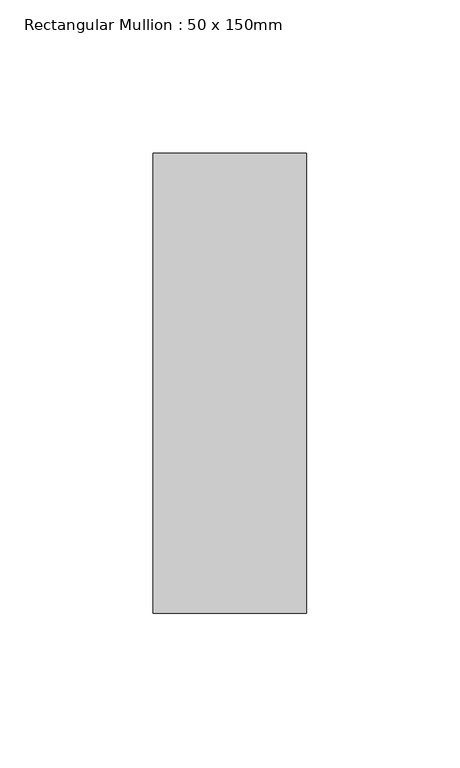
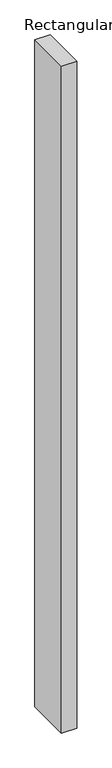
"""IFC4 building model written with IfcOpenShell, lengths in millimetres: member geometry, Rectangular Mullion : 50 x 150mm."""

from ifc_helpers import new_model, si_unit, frame, origin, place, context, project, spatial, polyline, outline, extrude, source, transform, mapped, element, save


def rectangular_mullion_50_x_150mm_55c3b8cf(model_context):
    return source(origin(), model_context, "Body", "SweptSolid", [
        extrude(outline(polyline([(0.0, 75.0), (0.0, -75.0), (-50.0, -75.0), (-50.0, 75.0), (0.0, 75.0)])), frame((0.0, 0.0, -2307.4666667), z_axis=(0.0, 0.0, 1.0), x_axis=(1.0, 0.0, 0.0)), (0.0, 0.0, 1.0), 2307.4666667),
    ])


if __name__ == "__main__":
    model = new_model("IFC4")
    model_context = context("Model", 3, world=origin())
    ifc_project = project(units=[si_unit("LENGTHUNIT", "METRE", prefix="MILLI")], contexts=[model_context])
    site = spatial("IfcSite", under=ifc_project)
    building = spatial("IfcBuilding", under=site)
    placement = place(None, origin())
    rectangular_mullion_50_x_150mm_shape = rectangular_mullion_50_x_150mm_55c3b8cf(model_context)
    element("IfcMember", 1, ObjectType="Rectangular Mullion : 50 x 150mm", at=placement, inside=building, context=model_context, shape_type="MappedRepresentation", body=[
        mapped(rectangular_mullion_50_x_150mm_shape, transform((0.0, 0.0, 0.0), x_axis=(1.0, 0.0, 0.0), y_axis=(0.0, 1.0, 0.0), z_axis=(0.0, 0.0, 1.0))),
    ])
    save(model, "model.ifc")
